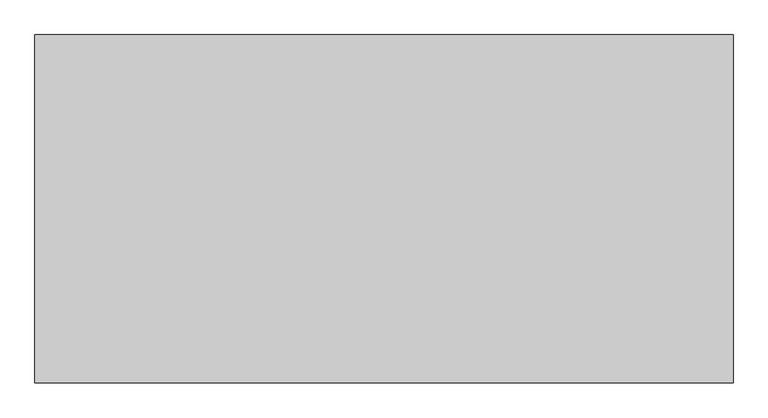
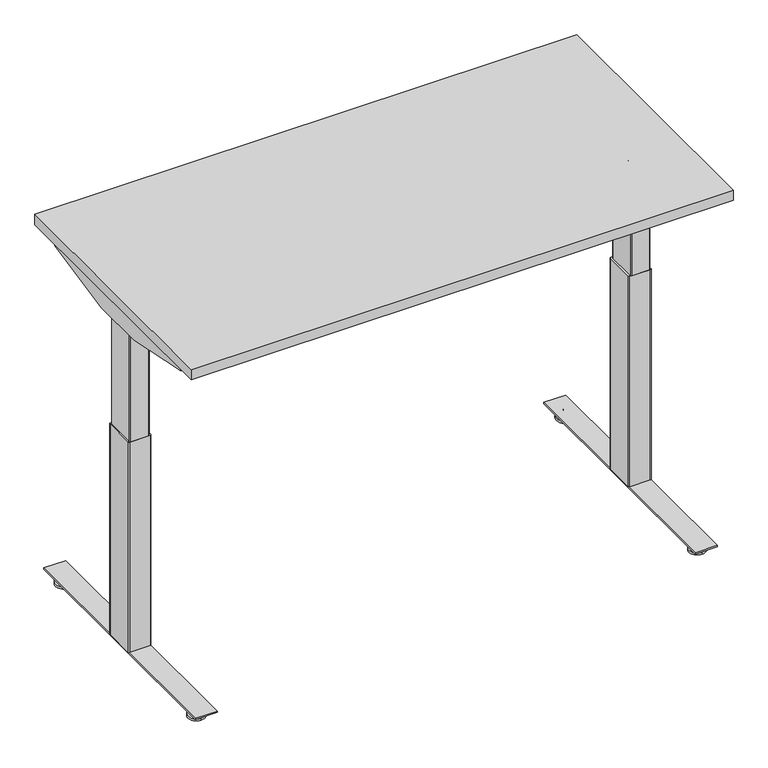
"""IFC4 building model written with IfcOpenShell, lengths in millimetres: furniture geometry."""

import ifcopenshell
import ifcopenshell.guid

model = None  # the IFC model being written
_history = None  # IfcOwnerHistory: only IFC2X3 demands one
_inside = {}  # id of a spatial element -> (the spatial element, [elements in it])
_under = {}  # id of a project, library or spatial element -> (it, [spatial elements below it])
_declared = {}  # id of a project -> (the project, [libraries it declares])
_typed = {}  # id of a type object -> (the type object, [elements of that type])
_made_of = {}  # id of a material, layer set ... -> (it, [elements and type objects made of it])


def new_model(schema):
    """Start an empty IFC model of exactly this schema.

    Asked for "IFC4X3", IfcOpenShell would pick the latest addendum, in which some entities
    have other attributes; the version numbers below select the first issue.
    IFC2X3 requires an IfcOwnerHistory on every rooted entity: one is made here for all.
    """
    global model, _history
    if schema == "IFC4X3":
        model = ifcopenshell.file(schema_version=(4, 3, 0, 0))
    else:
        model = ifcopenshell.file(schema=schema)
    _inside.clear()
    _under.clear()
    _declared.clear()
    _typed.clear()
    _made_of.clear()
    _history = None
    if model.schema == "IFC2X3":
        org = make("IfcOrganization", Name="unknown")
        user = make(
            "IfcPersonAndOrganization",
            ThePerson=make("IfcPerson", FamilyName="unknown"),
            TheOrganization=org,
        )
        app = make(
            "IfcApplication",
            ApplicationDeveloper=org,
            Version="unknown",
            ApplicationFullName="unknown",
            ApplicationIdentifier="unknown",
        )
        _history = make(
            "IfcOwnerHistory",
            OwningUser=user,
            OwningApplication=app,
            ChangeAction="ADDED",
            CreationDate=0,
        )
    return model


def make(cls, **values):
    """One entity of the class cls with the attributes given. An attribute that is None is left unset."""
    return model.create_entity(
        cls, **{name: value for name, value in values.items() if value is not None}
    )


def rooted(cls, **values):
    """An entity with a GlobalId (a new one), such as an element, a storey or a relation."""
    return make(cls, GlobalId=ifcopenshell.guid.new(), OwnerHistory=_history, **values)


def si_unit(unit_type, name, prefix=None):
    """IfcSIUnit, for example si_unit("LENGTHUNIT", "METRE", prefix="MILLI")."""
    return make("IfcSIUnit", UnitType=unit_type, Prefix=prefix, Name=name)


def assignment(units):
    """IfcUnitAssignment: the units of a project."""
    return None if units is None else make("IfcUnitAssignment", Units=units)


def point(xyz):
    """IfcCartesianPoint."""
    return None if xyz is None else make("IfcCartesianPoint", Coordinates=xyz)


def direction(xyz):
    """IfcDirection."""
    return None if xyz is None else make("IfcDirection", DirectionRatios=xyz)


def frame(location, z_axis=None, x_axis=None):
    """IfcAxis2Placement3D, a coordinate frame: its origin and axes. An axis left out is left unset."""
    return make(
        "IfcAxis2Placement3D",
        Location=point(location),
        Axis=direction(z_axis),
        RefDirection=direction(x_axis),
    )


def frame_2d(location, x_axis=None):
    """IfcAxis2Placement2D, a coordinate frame in the plane: its origin and x axis."""
    return make(
        "IfcAxis2Placement2D", Location=point(location), RefDirection=direction(x_axis)
    )


def origin():
    """The frame at (0, 0, 0) with its axes left unset."""
    return frame((0.0, 0.0, 0.0))


def place(relative_to, where):
    """IfcLocalPlacement: puts the frame where relative to a parent placement (None: the world)."""
    return make(
        "IfcLocalPlacement", PlacementRelTo=relative_to, RelativePlacement=where
    )


def context(
    kind, dimensions, precision=None, world=None, true_north=None, identifier=None
):
    """IfcGeometricRepresentationContext, for example the 3D "Model" context."""
    return make(
        "IfcGeometricRepresentationContext",
        ContextIdentifier=identifier,
        ContextType=kind,
        CoordinateSpaceDimension=dimensions,
        Precision=precision,
        WorldCoordinateSystem=world,
        TrueNorth=true_north,
    )


def project(units=None, contexts=None):
    """IfcProject with its units and contexts."""
    return rooted(
        "IfcProject",
        Name="project",
        RepresentationContexts=contexts,
        UnitsInContext=assignment(units),
    )


def spatial(cls, under=None, at=None, **own):
    """A site, building, storey or space (cls), placed at a placement, below another one or the project."""
    s = rooted(cls, ObjectPlacement=at, **own)
    if under is not None:
        _under.setdefault(under.id(), (under, []))[1].append(s)
    return s


def polyline(points):
    """IfcPolyline through the points."""
    return make("IfcPolyline", Points=[point(p) for p in points])


def circle_curve(where, radius):
    """IfcCircle in the frame where."""
    return make("IfcCircle", Position=where, Radius=radius)


def trimmed(basis, trim1, trim2, sense, master):
    """IfcTrimmedCurve: the piece of a basis curve between two trims."""
    return make(
        "IfcTrimmedCurve",
        BasisCurve=basis,
        Trim1=trim1,
        Trim2=trim2,
        SenseAgreement=sense,
        MasterRepresentation=master,
    )


def segment(curve, same_sense, transition):
    """IfcCompositeCurveSegment."""
    return make(
        "IfcCompositeCurveSegment",
        Transition=transition,
        SameSense=same_sense,
        ParentCurve=curve,
    )


def composite_curve(segments, self_intersect=None):
    """IfcCompositeCurve: segments joined end to end."""
    return make("IfcCompositeCurve", Segments=segments, SelfIntersect=self_intersect)


def outline(outer, holes=None, kind="AREA"):
    """IfcArbitraryClosedProfileDef: a profile drawn as a closed curve; with holes, ...WithVoids."""
    if holes is None:
        return make("IfcArbitraryClosedProfileDef", ProfileType=kind, OuterCurve=outer)
    return make(
        "IfcArbitraryProfileDefWithVoids",
        ProfileType=kind,
        OuterCurve=outer,
        InnerCurves=holes,
    )


def extrude(swept, where, along, depth):
    """IfcExtrudedAreaSolid: the profile swept, set in the frame where, extruded along a direction by depth."""
    return make(
        "IfcExtrudedAreaSolid",
        SweptArea=swept,
        Position=where,
        ExtrudedDirection=direction(along),
        Depth=depth,
    )


def shape(context_of_items, identifier, shape_type, items):
    """IfcShapeRepresentation: the items that make up one representation, for example the "Body"."""
    return make(
        "IfcShapeRepresentation",
        ContextOfItems=context_of_items,
        RepresentationIdentifier=identifier,
        RepresentationType=shape_type,
        Items=items,
    )


def source(mapping_origin, context_of_items, identifier, shape_type, items):
    """IfcRepresentationMap: a shape defined once, which mapped items show again and again."""
    return make(
        "IfcRepresentationMap",
        MappingOrigin=mapping_origin,
        MappedRepresentation=shape(context_of_items, identifier, shape_type, items),
    )


def transform(
    local_origin,
    x_axis=None,
    y_axis=None,
    z_axis=None,
    scale=None,
    scale2=None,
    scale3=None,
    uniform=True,
):
    """IfcCartesianTransformationOperator3D, or its non-uniform kind. x_axis, y_axis, z_axis: its Axis1, 2, 3."""
    if uniform:
        return make(
            "IfcCartesianTransformationOperator3D",
            Axis1=direction(x_axis),
            Axis2=direction(y_axis),
            LocalOrigin=point(local_origin),
            Scale=scale,
            Axis3=direction(z_axis),
        )
    return make(
        "IfcCartesianTransformationOperator3DnonUniform",
        Axis1=direction(x_axis),
        Axis2=direction(y_axis),
        LocalOrigin=point(local_origin),
        Scale=scale,
        Axis3=direction(z_axis),
        Scale2=scale2,
        Scale3=scale3,
    )


def mapped(mapping_source, mapping_target):
    """IfcMappedItem: shows the shape of a source again, moved by a transform."""
    return make(
        "IfcMappedItem", MappingSource=mapping_source, MappingTarget=mapping_target
    )


def made_of(thing, what):
    """Note that an element or type object is made of a material, layer set ...; save() writes the relation."""
    if what is not None:
        _made_of.setdefault(what.id(), (what, []))[1].append(thing)
    return thing


def element(
    cls,
    number,
    at=None,
    inside=None,
    cuts=None,
    type_object=None,
    material=None,
    context=None,
    identifier="Body",
    shape_type=None,
    held_by="IfcProductDefinitionShape",
    body=None,
    shapes=None,
    **own,
):
    """One element of the class cls, such as IfcWall. Its Tag is "e" and its number.

    at: its placement. inside: the storey or other place that contains it. cuts: it is an
    opening in that element (IfcRelVoidsElement). A single representation is given by context,
    identifier, shape_type and body (its items); several are given by shapes. held_by: the class
    of the entity that holds the representations. save() writes the other relations.
    """
    e = rooted(cls, Tag="e%d" % number, ObjectPlacement=at, **own)
    if body is not None:
        shapes = [shape(context, identifier, shape_type, body)]
    if shapes is not None:
        e.Representation = make(held_by, Representations=shapes)
    if inside is not None:
        _inside.setdefault(inside.id(), (inside, []))[1].append(e)
    if cuts is not None:
        rooted(
            "IfcRelVoidsElement", RelatingBuildingElement=cuts, RelatedOpeningElement=e
        )
    if type_object is not None:
        _typed.setdefault(type_object.id(), (type_object, []))[1].append(e)
    return made_of(e, material)


def aggregate(whole, parts):
    """IfcRelAggregates: a whole, such as a stair, and the parts it consists of."""
    return rooted("IfcRelAggregates", RelatingObject=whole, RelatedObjects=parts)


def save(model, path):
    """Write the relations noted so far, then the file.

    IfcRelAggregates (storeys below a building ...), IfcRelContainedInSpatialStructure (elements
    in a storey), IfcRelDefinesByType, IfcRelAssociatesMaterial and IfcRelDeclares: one each for
    every whole, place, type object, material and project.
    """
    for whole, parts in _under.values():
        aggregate(whole, parts)
    for where, things in _inside.values():
        rooted(
            "IfcRelContainedInSpatialStructure",
            RelatedElements=things,
            RelatingStructure=where,
        )
    for kind, things in _typed.values():
        rooted("IfcRelDefinesByType", RelatedObjects=things, RelatingType=kind)
    for what, things in _made_of.values():
        rooted("IfcRelAssociatesMaterial", RelatedObjects=things, RelatingMaterial=what)
    for by, libraries in _declared.values():
        rooted("IfcRelDeclares", RelatingContext=by, RelatedDefinitions=libraries)
    model.write(path)


def plane_surface(at):
    """IfcPlane: the flat surface through the origin of the frame at, square to its z axis."""
    return make("IfcPlane", Position=at)


def cylinder_surface(at, radius):
    """IfcCylindricalSurface: all points at the distance radius from the z axis of the frame at."""
    return make("IfcCylindricalSurface", Position=at, Radius=radius)


def revolved_surface(curve, axis_point, axis_direction):
    """IfcSurfaceOfRevolution: the curve turned about the line through axis_point along axis_direction."""
    return make(
        "IfcSurfaceOfRevolution",
        SweptCurve=make("IfcArbitraryOpenProfileDef", ProfileType="CURVE", Curve=curve),
        AxisPosition=make("IfcAxis1Placement", Location=point(axis_point), Axis=direction(axis_direction)),
    )


def advanced_brep(points, edges, surfaces, faces):
    """IfcAdvancedBrep: a solid bounded by faces that lie on surfaces and meet in shared edges.

    An edge is (start, end): straight between two places in points (the first is 0);
    or (start, end, curve); or (start, end, curve, False) where it runs against its curve.
    A face is (place in surfaces, loops), or (place, loops, False) where it looks against
    its surface's normal. A loop lists edges by number (the first is 1), with a minus sign
    where the edge is run from its end to its start. The first loop is the outer one.
    """
    corners = [point(p) for p in points]
    vertices = [make("IfcVertexPoint", VertexGeometry=c) for c in corners]
    made = []
    for start, end, *more in edges:
        made.append(
            make(
                "IfcEdgeCurve",
                EdgeStart=vertices[start],
                EdgeEnd=vertices[end],
                EdgeGeometry=more[0] if more else make("IfcPolyline", Points=[corners[start], corners[end]]),
                SameSense=more[1] if len(more) > 1 else True,
            )
        )
    hull = []
    for where, loops, *sense in faces:
        bounds = []
        for j, loop in enumerate(loops):
            ring = [make("IfcOrientedEdge", EdgeElement=made[abs(k) - 1], Orientation=k > 0) for k in loop]
            bounds.append(
                make(
                    "IfcFaceOuterBound" if j == 0 else "IfcFaceBound",
                    Bound=make("IfcEdgeLoop", EdgeList=ring),
                    Orientation=True,
                )
            )
        hull.append(make("IfcAdvancedFace", Bounds=bounds, FaceSurface=surfaces[where], SameSense=sense[0] if sense else True))
    return make("IfcAdvancedBrep", Outer=make("IfcClosedShell", CfsFaces=hull))


def furniture_53c0df5a(model_context):
    return source(origin(), model_context, "Body", "SolidModel", [
        extrude(outline(composite_curve([segment(polyline([(24.0299808, 91.9126008), (24.0299808, 89.2526023), (15.0465732, 89.2526023)]), True, "CONTINUOUS"), segment(trimmed(circle_curve(frame_2d((15.0465732, 88.1760101)), 1.0765922), [point((15.0465732, 89.2526023))], [point((13.969981, 88.1760101))], True, "CARTESIAN"), True, "CONTINUOUS"), segment(polyline([(13.969981, 88.1760101), (13.969981, 57.733733)]), True, "CONTINUOUS"), segment(trimmed(circle_curve(frame_2d((14.981112, 57.733733)), 1.011131), [point((13.969981, 57.733733))], [point((14.981112, 56.7226021))], True, "CARTESIAN"), True, "CONTINUOUS"), segment(polyline([(14.981112, 56.7226021), (24.0299808, 56.7226021), (24.0299808, 54.0625991), (14.9699813, 54.0625991), (13.1399808, 54.5529489), (11.8003278, 55.8926019), (11.3099815, 57.7226046), (11.3099815, 88.2526043), (11.8003278, 90.0826025), (13.1399808, 91.4222555), (14.9699813, 91.9126008), (24.0299808, 91.9126008)]), True, "CONTINUOUS")], self_intersect=False)), frame((0.0, -646.1468746, 0.0), z_axis=(0.0, 1.0, 0.0), x_axis=(0.0, 0.0, 1.0)), (0.0, 0.0, 1.0), 507.9999924),
        advanced_brep(
        [(71.6136021, -726.0252467, 9.1e-06), (71.6136021, -703.4479001, 9.1e-06), (71.6136021, -680.8705535, 9.1e-06), (71.6136021, -726.0109304, 5.8932313), (71.6136021, -680.8848697, 5.8932313), (71.6136021, -706.9684154, 9.6997702), (71.6136021, -699.9273847, 9.6997702), (71.6136021, -706.9684154, 23.9856018), (71.6136021, -699.9273847, 23.9856018), (71.6136021, -703.4479001, 23.9856018)],
        [
            (0, 1),
            (1, 2),
            (2, 0, circle_curve(frame((71.6136021, -703.4479001, 9.1e-06), z_axis=(0.0, 0.0, -1.0), x_axis=(0.0, 1.0, 0.0)), 22.5773466)),
            (0, 2, circle_curve(frame((71.6136021, -703.4479001, 9.1e-06), z_axis=(0.0, 0.0, -1.0), x_axis=(0.0, 1.0, 0.0)), 22.5773466)),
            (3, 0),
            (2, 4),
            (4, 3, circle_curve(frame((71.6136021, -703.4479001, 5.8932313), z_axis=(0.0, 0.0, -1.0), x_axis=(0.0, 1.0, 0.0)), 22.5630303)),
            (3, 4, circle_curve(frame((71.6136021, -703.4479001, 5.8932313), z_axis=(0.0, 0.0, -1.0), x_axis=(0.0, 1.0, 0.0)), 22.5630303)),
            (5, 3),
            (4, 6),
            (6, 5, circle_curve(frame((71.6136021, -703.4479001, 9.6997702), z_axis=(0.0, 0.0, -1.0), x_axis=(0.0, 1.0, 0.0)), 3.5205153)),
            (5, 6, circle_curve(frame((71.6136021, -703.4479001, 9.6997702), z_axis=(0.0, 0.0, -1.0), x_axis=(0.0, 1.0, 0.0)), 3.5205153)),
            (7, 5),
            (6, 8),
            (8, 7, circle_curve(frame((71.6136021, -703.4479001, 23.9856018), z_axis=(0.0, 0.0, -1.0), x_axis=(0.0, 1.0, 0.0)), 3.5205153)),
            (7, 8, circle_curve(frame((71.6136021, -703.4479001, 23.9856018), z_axis=(0.0, 0.0, -1.0), x_axis=(0.0, 1.0, 0.0)), 3.5205153)),
            (9, 7),
            (8, 9),
        ],
        [
            plane_surface(frame((71.6136021, -703.4479001, 9.1e-06), z_axis=(0.0, 0.0, -1.0), x_axis=(0.0, 1.0, 0.0))),
            revolved_surface(polyline([(71.6136021, -680.8705535, 9.1e-06), (71.6136021, -680.8848697, 5.8932313)]), (71.6136021, -703.4479001, -6.3499909), (0.0, 0.0, 1.0)),
            revolved_surface(polyline([(71.6136021, -680.8848697, 5.8932313), (71.6136021, -699.9273847, 9.6997702)]), (71.6136021, -703.4479001, -6.3499909), (0.0, 0.0, 1.0)),
            cylinder_surface(frame((71.6136021, -703.4479001, -6.3499909), z_axis=(0.0, 0.0, 1.0), x_axis=(0.0, 1.0, 0.0)), 3.5205153),
            plane_surface(frame((71.6136021, -703.4479001, 23.9856018), z_axis=(0.0, 0.0, 1.0), x_axis=(0.0, 1.0, 0.0))),
        ],
        [
            (0, [[1, 2, 3]]),
            (0, [[-2, -1, 4]]),
            (1, [[5, -3, 6, 7]]),
            (1, [[-6, -4, -5, 8]]),
            (2, [[9, -7, 10, 11]]),
            (2, [[-10, -8, -9, 12]]),
            (3, [[13, -11, 14, 15]]),
            (3, [[-14, -12, -13, 16]]),
            (4, [[17, -15, 18]]),
            (4, [[-18, -16, -17]]),
        ],
    ),
        advanced_brep(
        [(71.6136021, -80.677371, 23.9447896), (71.6136021, -84.2813634, 23.9447896), (71.6136021, -77.0733786, 23.9447896), (71.6136021, -103.3167838, 9.1e-06), (71.6136021, -80.677371, 9.1e-06), (71.6136021, -58.0379582, 9.1e-06), (71.6136021, -103.3024934, 5.8932313), (71.6136021, -58.0522486, 5.8932313), (71.6136021, -84.2599821, 9.6997702), (71.6136021, -77.0947599, 9.6997702)],
        [
            (0, 1),
            (1, 2, circle_curve(frame((71.6136021, -80.677371, 23.9447896), z_axis=(0.0, 0.0, 1.0), x_axis=(0.0, 1.0, 0.0)), 3.6039924)),
            (2, 0),
            (2, 1, circle_curve(frame((71.6136021, -80.677371, 23.9447896), z_axis=(0.0, 0.0, 1.0), x_axis=(0.0, 1.0, 0.0)), 3.6039924)),
            (3, 4),
            (4, 5),
            (5, 3, circle_curve(frame((71.6136021, -80.677371, 9.1e-06), z_axis=(0.0, 0.0, -1.0), x_axis=(0.0, 1.0, 0.0)), 22.6394128)),
            (3, 5, circle_curve(frame((71.6136021, -80.677371, 9.1e-06), z_axis=(0.0, 0.0, -1.0), x_axis=(0.0, 1.0, 0.0)), 22.6394128)),
            (6, 3),
            (5, 7),
            (7, 6, circle_curve(frame((71.6136021, -80.677371, 5.8932313), z_axis=(0.0, 0.0, -1.0), x_axis=(0.0, 1.0, 0.0)), 22.6251224)),
            (6, 7, circle_curve(frame((71.6136021, -80.677371, 5.8932313), z_axis=(0.0, 0.0, -1.0), x_axis=(0.0, 1.0, 0.0)), 22.6251224)),
            (8, 6),
            (7, 9),
            (9, 8, circle_curve(frame((71.6136021, -80.677371, 9.6997702), z_axis=(0.0, 0.0, -1.0), x_axis=(0.0, 1.0, 0.0)), 3.5826111)),
            (8, 9, circle_curve(frame((71.6136021, -80.677371, 9.6997702), z_axis=(0.0, 0.0, -1.0), x_axis=(0.0, 1.0, 0.0)), 3.5826111)),
            (1, 8),
            (9, 2),
        ],
        [
            plane_surface(frame((71.6136021, -80.677371, 23.9447896), z_axis=(0.0, 0.0, 1.0), x_axis=(0.0, 1.0, 0.0))),
            plane_surface(frame((71.6136021, -80.677371, 9.1e-06), z_axis=(0.0, 0.0, -1.0), x_axis=(0.0, 1.0, 0.0))),
            revolved_surface(polyline([(71.6136021, -58.0379582, 9.1e-06), (71.6136021, -58.0522486, 5.8932313)]), (71.6136021, -80.677371, -4.2199069), (0.0, 0.0, 1.0)),
            revolved_surface(polyline([(71.6136021, -58.0522486, 5.8932313), (71.6136021, -77.0947599, 9.6997702)]), (71.6136021, -80.677371, -4.2199069), (0.0, 0.0, 1.0)),
            cylinder_surface(frame((71.6136021, -80.677371, -4.2199069), z_axis=(0.0, 0.0, 1.0), x_axis=(0.0, 1.0, 0.0)), 3.5617141),
        ],
        [
            (0, [[1, 2, 3]]),
            (0, [[-3, 4, -1]]),
            (1, [[5, 6, 7]]),
            (1, [[-6, -5, 8]]),
            (2, [[9, -7, 10, 11]]),
            (2, [[-10, -8, -9, 12]]),
            (3, [[13, -11, 14, 15]]),
            (3, [[-14, -12, -13, 16]]),
            (4, [[17, -15, 18, -2]]),
            (4, [[-18, -16, -17, -4]]),
        ],
    ),
        extrude(outline(polyline([(42.9876029, -36.5468837), (102.9576025, -36.5468837), (102.9576025, -747.7468867), (42.9876029, -747.7468867), (42.9876029, -36.5468837)])), frame((0.0, 0.0, 24.0299808), z_axis=(0.0, 0.0, 1.0), x_axis=(1.0, 0.0, 0.0)), (0.0, 0.0, 1.0), 4.1800001),
        extrude(outline(composite_curve([segment(polyline([(98.1047994, -352.3927982), (98.1047994, -434.8963759)]), True, "CONTINUOUS"), segment(trimmed(circle_curve(frame_2d((95.8187994, -434.8963759)), 2.286), [point((98.1047994, -434.8963759))], [point((95.8187994, -437.1823759))], False, "CARTESIAN"), True, "CONTINUOUS"), segment(polyline([(95.8187994, -437.1823759), (47.5023125, -437.1823759)]), True, "CONTINUOUS"), segment(trimmed(circle_curve(frame_2d((47.5023125, -434.8963759)), 2.286), [point((47.5023125, -437.1823759))], [point((45.2163125, -434.8963759))], False, "CARTESIAN"), True, "CONTINUOUS"), segment(polyline([(45.2163125, -434.8963759), (45.2163125, -352.2329455)]), True, "CONTINUOUS"), segment(trimmed(circle_curve(frame_2d((47.5023125, -352.3927982)), 2.2915822), [point((45.2163125, -352.2329455))], [point((47.3424598, -350.1067982))], False, "CARTESIAN"), True, "CONTINUOUS"), segment(polyline([(47.3424598, -350.1067982), (95.8187994, -350.1067982)]), True, "CONTINUOUS"), segment(trimmed(circle_curve(frame_2d((95.8187994, -352.3927982)), 2.286), [point((95.8187994, -350.1067982))], [point((98.1047994, -352.3927982))], False, "CARTESIAN"), True, "CONTINUOUS")], self_intersect=False)), frame((0.0, 0.0, 631.6980091), z_axis=(0.0, 0.0, 1.0), x_axis=(1.0, 0.0, 0.0)), (0.0, 0.0, 1.0), 368.3819446),
        extrude(outline(composite_curve([segment(polyline([(44.6584207, -347.179857), (100.2661103, -347.179857)]), True, "CONTINUOUS"), segment(trimmed(circle_curve(frame_2d((100.2656021, -350.227857)), 3.048), [point((100.2661103, -347.179857))], [point((103.3136021, -350.227857))], False, "CARTESIAN"), True, "CONTINUOUS"), segment(polyline([(103.3136021, -350.227857), (103.3136021, -434.125863)]), True, "CONTINUOUS"), segment(trimmed(circle_curve(frame_2d((100.2656021, -434.125863)), 3.048), [point((103.3136021, -434.125863))], [point((100.2635382, -437.1738623))], False, "CARTESIAN"), True, "CONTINUOUS"), segment(polyline([(100.2635382, -437.1738623), (44.638999, -437.1361976)]), True, "CONTINUOUS"), segment(trimmed(circle_curve(frame_2d((44.6410511, -434.105568)), 3.0306304), [point((44.638999, -437.1361976))], [point((41.6104207, -434.105568))], False, "CARTESIAN"), True, "CONTINUOUS"), segment(polyline([(41.6104207, -434.105568), (41.6104207, -350.227857)]), True, "CONTINUOUS"), segment(trimmed(circle_curve(frame_2d((44.6584207, -350.227857)), 3.048), [point((41.6104207, -350.227857))], [point((44.6584207, -347.179857))], False, "CARTESIAN"), True, "CONTINUOUS")], self_intersect=False)), frame((0.0, 0.0, 28.209981), z_axis=(0.0, 0.0, 1.0), x_axis=(1.0, 0.0, 0.0)), (0.0, 0.0, 1.0), 603.4880281),
        extrude(outline(composite_curve([segment(polyline([(24.0299717, 1409.9357036), (14.9699722, 1409.9357036), (13.1399717, 1410.4260488), (11.8003187, 1411.7657018), (11.3099724, 1413.5957), (11.3099724, 1444.1256997), (11.8003187, 1445.9557024), (13.1399717, 1447.2953554), (14.9699722, 1447.7857052), (24.0299717, 1447.7857052), (24.0299717, 1445.1257022), (14.9811029, 1445.1257022)]), True, "CONTINUOUS"), segment(trimmed(circle_curve(frame_2d((14.9811029, 1444.1145713)), 1.011131), [point((14.9811029, 1445.1257022))], [point((13.9699719, 1444.1145713))], True, "CARTESIAN"), True, "CONTINUOUS"), segment(polyline([(13.9699719, 1444.1145713), (13.9699719, 1413.6722942)]), True, "CONTINUOUS"), segment(trimmed(circle_curve(frame_2d((15.0465641, 1413.6722942)), 1.0765922), [point((13.9699719, 1413.6722942))], [point((15.0465641, 1412.595702))], True, "CARTESIAN"), True, "CONTINUOUS"), segment(polyline([(15.0465641, 1412.595702), (24.0299717, 1412.595702), (24.0299717, 1409.9357036)]), True, "CONTINUOUS")], self_intersect=False)), frame((0.0, -646.1468746, 0.0), z_axis=(0.0, 1.0, 0.0), x_axis=(0.0, 0.0, 1.0)), (0.0, 0.0, 1.0), 507.9999924),
        advanced_brep(
        [(1430.2347023, -726.0252467, 0.0), (1430.2347023, -680.8705535, 0.0), (1430.2347023, -703.4479001, 0.0), (1430.2347023, -726.0109304, 5.8932222), (1430.2347023, -680.8848697, 5.8932222), (1430.2347023, -706.9684154, 9.6997611), (1430.2347023, -699.9273847, 9.6997611), (1430.2347023, -706.9684154, 23.9855927), (1430.2347023, -699.9273847, 23.9855927), (1430.2347023, -703.4479001, 23.9855927)],
        [
            (0, 1, circle_curve(frame((1430.2347023, -703.4479001, 0.0), z_axis=(0.0, 0.0, -1.0), x_axis=(0.0, 1.0, 0.0)), 22.5773466)),
            (1, 2),
            (2, 0),
            (1, 0, circle_curve(frame((1430.2347023, -703.4479001, 0.0), z_axis=(0.0, 0.0, -1.0), x_axis=(0.0, 1.0, 0.0)), 22.5773466)),
            (3, 4, circle_curve(frame((1430.2347023, -703.4479001, 5.8932222), z_axis=(0.0, 0.0, -1.0), x_axis=(0.0, 1.0, 0.0)), 22.5630303)),
            (4, 1),
            (0, 3),
            (4, 3, circle_curve(frame((1430.2347023, -703.4479001, 5.8932222), z_axis=(0.0, 0.0, -1.0), x_axis=(0.0, 1.0, 0.0)), 22.5630303)),
            (5, 6, circle_curve(frame((1430.2347023, -703.4479001, 9.6997611), z_axis=(0.0, 0.0, -1.0), x_axis=(0.0, 1.0, 0.0)), 3.5205153)),
            (6, 4),
            (3, 5),
            (6, 5, circle_curve(frame((1430.2347023, -703.4479001, 9.6997611), z_axis=(0.0, 0.0, -1.0), x_axis=(0.0, 1.0, 0.0)), 3.5205153)),
            (7, 8, circle_curve(frame((1430.2347023, -703.4479001, 23.9855927), z_axis=(0.0, 0.0, -1.0), x_axis=(0.0, 1.0, 0.0)), 3.5205153)),
            (8, 6),
            (5, 7),
            (8, 7, circle_curve(frame((1430.2347023, -703.4479001, 23.9855927), z_axis=(0.0, 0.0, -1.0), x_axis=(0.0, 1.0, 0.0)), 3.5205153)),
            (9, 8),
            (7, 9),
        ],
        [
            plane_surface(frame((1430.2347023, -703.4479001, 0.0), z_axis=(0.0, 0.0, -1.0), x_axis=(0.0, 1.0, 0.0))),
            revolved_surface(polyline([(1430.2347023, -680.8705535, 0.0), (1430.2347023, -680.8848697, 5.8932222)]), (1430.2347023, -703.4479001, -6.35), (0.0, 0.0, 1.0)),
            revolved_surface(polyline([(1430.2347023, -680.8848697, 5.8932222), (1430.2347023, -699.9273847, 9.6997611)]), (1430.2347023, -703.4479001, -6.35), (0.0, 0.0, 1.0)),
            cylinder_surface(frame((1430.2347023, -703.4479001, -6.35), z_axis=(0.0, 0.0, 1.0), x_axis=(0.0, 1.0, 0.0)), 3.5205153),
            plane_surface(frame((1430.2347023, -703.4479001, 23.9855927), z_axis=(0.0, 0.0, 1.0), x_axis=(0.0, 1.0, 0.0))),
        ],
        [
            (0, [[1, 2, 3]]),
            (0, [[4, -3, -2]]),
            (1, [[5, 6, -1, 7]]),
            (1, [[8, -7, -4, -6]]),
            (2, [[9, 10, -5, 11]]),
            (2, [[12, -11, -8, -10]]),
            (3, [[13, 14, -9, 15]]),
            (3, [[16, -15, -12, -14]]),
            (4, [[17, -13, 18]]),
            (4, [[-18, -16, -17]]),
        ],
    ),
        advanced_brep(
        [(1430.2347023, -80.677371, 23.9447805), (1430.2347023, -77.0733786, 23.9447805), (1430.2347023, -84.2813634, 23.9447805), (1430.2347023, -103.3167838, 0.0), (1430.2347023, -58.0379582, 0.0), (1430.2347023, -80.677371, 0.0), (1430.2347023, -103.3024934, 5.8932222), (1430.2347023, -58.0522486, 5.8932222), (1430.2347023, -84.2599821, 9.6997611), (1430.2347023, -77.0947599, 9.6997611)],
        [
            (0, 1),
            (1, 2, circle_curve(frame((1430.2347023, -80.677371, 23.9447805), z_axis=(0.0, 0.0, 1.0), x_axis=(0.0, 1.0, 0.0)), 3.6039924)),
            (2, 0),
            (2, 1, circle_curve(frame((1430.2347023, -80.677371, 23.9447805), z_axis=(0.0, 0.0, 1.0), x_axis=(0.0, 1.0, 0.0)), 3.6039924)),
            (3, 4, circle_curve(frame((1430.2347023, -80.677371, 0.0), z_axis=(0.0, 0.0, -1.0), x_axis=(0.0, 1.0, 0.0)), 22.6394128)),
            (4, 5),
            (5, 3),
            (4, 3, circle_curve(frame((1430.2347023, -80.677371, 0.0), z_axis=(0.0, 0.0, -1.0), x_axis=(0.0, 1.0, 0.0)), 22.6394128)),
            (6, 7, circle_curve(frame((1430.2347023, -80.677371, 5.8932222), z_axis=(0.0, 0.0, -1.0), x_axis=(0.0, 1.0, 0.0)), 22.6251224)),
            (7, 4),
            (3, 6),
            (7, 6, circle_curve(frame((1430.2347023, -80.677371, 5.8932222), z_axis=(0.0, 0.0, -1.0), x_axis=(0.0, 1.0, 0.0)), 22.6251224)),
            (8, 9, circle_curve(frame((1430.2347023, -80.677371, 9.6997611), z_axis=(0.0, 0.0, -1.0), x_axis=(0.0, 1.0, 0.0)), 3.5826111)),
            (9, 7),
            (6, 8),
            (9, 8, circle_curve(frame((1430.2347023, -80.677371, 9.6997611), z_axis=(0.0, 0.0, -1.0), x_axis=(0.0, 1.0, 0.0)), 3.5826111)),
            (1, 9),
            (8, 2),
        ],
        [
            plane_surface(frame((1430.2347023, -80.677371, 23.9447805), z_axis=(0.0, 0.0, 1.0), x_axis=(0.0, 1.0, 0.0))),
            plane_surface(frame((1430.2347023, -80.677371, 0.0), z_axis=(0.0, 0.0, -1.0), x_axis=(0.0, 1.0, 0.0))),
            revolved_surface(polyline([(1430.2347023, -58.0379582, 0.0), (1430.2347023, -58.0522486, 5.8932222)]), (1430.2347023, -80.677371, -4.219916), (0.0, 0.0, 1.0)),
            revolved_surface(polyline([(1430.2347023, -58.0522486, 5.8932222), (1430.2347023, -77.0947599, 9.6997611)]), (1430.2347023, -80.677371, -4.219916), (0.0, 0.0, 1.0)),
            cylinder_surface(frame((1430.2347023, -80.677371, -4.219916), z_axis=(0.0, 0.0, 1.0), x_axis=(0.0, 1.0, 0.0)), 3.5617141),
        ],
        [
            (0, [[1, 2, 3]]),
            (0, [[-3, 4, -1]]),
            (1, [[5, 6, 7]]),
            (1, [[8, -7, -6]]),
            (2, [[9, 10, -5, 11]]),
            (2, [[12, -11, -8, -10]]),
            (3, [[13, 14, -9, 15]]),
            (3, [[16, -15, -12, -14]]),
            (4, [[-2, 17, -13, 18]]),
            (4, [[-4, -18, -16, -17]]),
        ],
    ),
        extrude(outline(polyline([(1458.8607014, -36.5468837), (1458.8607014, -747.7468867), (1398.8907019, -747.7468867), (1398.8907019, -36.5468837), (1458.8607014, -36.5468837)])), frame((0.0, 0.0, 24.0299717), z_axis=(0.0, 0.0, 1.0), x_axis=(1.0, 0.0, 0.0)), (0.0, 0.0, 1.0), 4.1800001),
        extrude(outline(composite_curve([segment(trimmed(circle_curve(frame_2d((1406.0295049, -352.3927982)), 2.286), [point((1403.7435049, -352.3927982))], [point((1406.0295049, -350.1067982))], False, "CARTESIAN"), True, "CONTINUOUS"), segment(polyline([(1406.0295049, -350.1067982), (1454.5058445, -350.1067982)]), True, "CONTINUOUS"), segment(trimmed(circle_curve(frame_2d((1454.3459918, -352.3927982)), 2.2915822), [point((1454.5058445, -350.1067982))], [point((1456.6319918, -352.2329455))], False, "CARTESIAN"), True, "CONTINUOUS"), segment(polyline([(1456.6319918, -352.2329455), (1456.6319918, -434.8963759)]), True, "CONTINUOUS"), segment(trimmed(circle_curve(frame_2d((1454.3459918, -434.8963759)), 2.286), [point((1456.6319918, -434.8963759))], [point((1454.3459918, -437.1823759))], False, "CARTESIAN"), True, "CONTINUOUS"), segment(polyline([(1454.3459918, -437.1823759), (1406.0295049, -437.1823759)]), True, "CONTINUOUS"), segment(trimmed(circle_curve(frame_2d((1406.0295049, -434.8963759)), 2.286), [point((1406.0295049, -437.1823759))], [point((1403.7435049, -434.8963759))], False, "CARTESIAN"), True, "CONTINUOUS"), segment(polyline([(1403.7435049, -434.8963759), (1403.7435049, -352.3927982)]), True, "CONTINUOUS")], self_intersect=False)), frame((0.0, 0.0, 631.698), z_axis=(0.0, 0.0, 1.0), x_axis=(1.0, 0.0, 0.0)), (0.0, 0.0, 1.0), 368.3819446),
        extrude(outline(composite_curve([segment(trimmed(circle_curve(frame_2d((1457.1898836, -350.227857)), 3.048), [point((1457.1898836, -347.179857))], [point((1460.2378836, -350.227857))], False, "CARTESIAN"), True, "CONTINUOUS"), segment(polyline([(1460.2378836, -350.227857), (1460.2378836, -434.105568)]), True, "CONTINUOUS"), segment(trimmed(circle_curve(frame_2d((1457.2072532, -434.105568)), 3.0306304), [point((1460.2378836, -434.105568))], [point((1457.2093053, -437.1361976))], False, "CARTESIAN"), True, "CONTINUOUS"), segment(polyline([(1457.2093053, -437.1361976), (1401.5847661, -437.1738623)]), True, "CONTINUOUS"), segment(trimmed(circle_curve(frame_2d((1401.5827022, -434.125863)), 3.048), [point((1401.5847661, -437.1738623))], [point((1398.5347022, -434.125863))], False, "CARTESIAN"), True, "CONTINUOUS"), segment(polyline([(1398.5347022, -434.125863), (1398.5347022, -350.227857)]), True, "CONTINUOUS"), segment(trimmed(circle_curve(frame_2d((1401.5827022, -350.227857)), 3.048), [point((1398.5347022, -350.227857))], [point((1401.582194, -347.179857))], False, "CARTESIAN"), True, "CONTINUOUS"), segment(polyline([(1401.582194, -347.179857), (1457.1898836, -347.179857)]), True, "CONTINUOUS")], self_intersect=False)), frame((0.0, 0.0, 28.2099719), z_axis=(0.0, 0.0, 1.0), x_axis=(1.0, 0.0, 0.0)), (0.0, 0.0, 1.0), 603.4880281),
        extrude(outline(composite_curve([segment(polyline([(-348.0894339, 963.6786781), (-436.4009814, 963.6786781)]), True, "CONTINUOUS"), segment(trimmed(circle_curve(frame_2d((-436.4009814, 966.6561465)), 2.9774683), [point((-436.4009814, 963.6786781))], [point((-439.3784497, 966.6561465))], False, "CARTESIAN"), True, "CONTINUOUS"), segment(polyline([(-439.3784497, 966.6561465), (-439.3784497, 1011.5295758), (-437.4784204, 1011.5295758), (-437.4784204, 966.5405996)]), True, "CONTINUOUS"), segment(trimmed(circle_curve(frame_2d((-436.5165283, 966.5405996)), 0.9618921), [point((-437.4784204, 966.5405996))], [point((-436.5165283, 965.5787075))], True, "CARTESIAN"), True, "CONTINUOUS"), segment(polyline([(-436.5165283, 965.5787075), (-347.9945797, 965.5787075)]), True, "CONTINUOUS"), segment(trimmed(circle_curve(frame_2d((-347.9945797, 966.6948418)), 1.1161343), [point((-347.9945797, 965.5787075))], [point((-346.8784454, 966.6948418))], True, "CARTESIAN"), True, "CONTINUOUS"), segment(polyline([(-346.8784454, 966.6948418), (-346.8784454, 1011.5295758), (-344.9784342, 1011.5295758), (-344.9784342, 966.7896778)]), True, "CONTINUOUS"), segment(trimmed(circle_curve(frame_2d((-348.0894339, 966.7896778)), 3.1109997), [point((-344.9784342, 966.7896778))], [point((-348.0894339, 963.6786781))], False, "CARTESIAN"), True, "CONTINUOUS")], self_intersect=False)), frame((103.3136021, 0.0, 0.0), z_axis=(1.0, 0.0, 0.0), x_axis=(0.0, 1.0, 0.0)), (0.0, 0.0, 1.0), 1295.2211001),
        extrude(outline(polyline([(-688.1042925, 1011.5295758), (-96.2085395, 1011.5295758), (-96.2085395, 990.0358146), (-315.3907598, 945.4513622), (-468.961128, 945.4513622), (-688.1042925, 990.0236392), (-688.1042925, 1011.5295758)])), frame((38.1482286, 0.0, 0.0), z_axis=(1.0, 0.0, 0.0), x_axis=(0.0, 1.0, 0.0)), (0.0, 0.0, 1.0), 1.8999567),
        extrude(outline(polyline([(-688.1042925, 1011.5295758), (-96.247586, 1011.5295758), (-96.247586, 990.0236392), (-315.3907598, 945.4513622), (-468.961128, 945.4513622), (-688.1042925, 990.0236392), (-688.1042925, 1011.5295758)])), frame((1480.8760334, 0.0, 0.0), z_axis=(1.0, 0.0, 0.0), x_axis=(0.0, 1.0, 0.0)), (0.0, 0.0, 1.0), 1.8999567),
        extrude(outline(polyline([(25.4000008, -25.4000008), (1495.5520271, -25.4000008), (1495.5520271, -758.9520029), (25.4000008, -758.9520029), (25.4000008, -25.4000008)])), frame((0.0, 0.0, 1011.5295758), z_axis=(0.0, 0.0, 1.0), x_axis=(1.0, 0.0, 0.0)), (0.0, 0.0, 1.0), 29.8704242),
    ])


if __name__ == "__main__":
    model = new_model("IFC4")
    model_context = context("Model", 3, world=origin())
    ifc_project = project(units=[si_unit("LENGTHUNIT", "METRE", prefix="MILLI")], contexts=[model_context])
    site = spatial("IfcSite", under=ifc_project)
    building = spatial("IfcBuilding", under=site)
    placement = place(None, origin())
    furniture_shape = furniture_53c0df5a(model_context)
    element("IfcFurniture", 1, at=placement, inside=building, context=model_context, shape_type="MappedRepresentation", body=[
        mapped(furniture_shape, transform((0.0, 0.0, 0.0), x_axis=(1.0, 0.0, 0.0), y_axis=(0.0, 1.0, 0.0), z_axis=(0.0, 0.0, 1.0))),
    ])
    save(model, "model.ifc")
